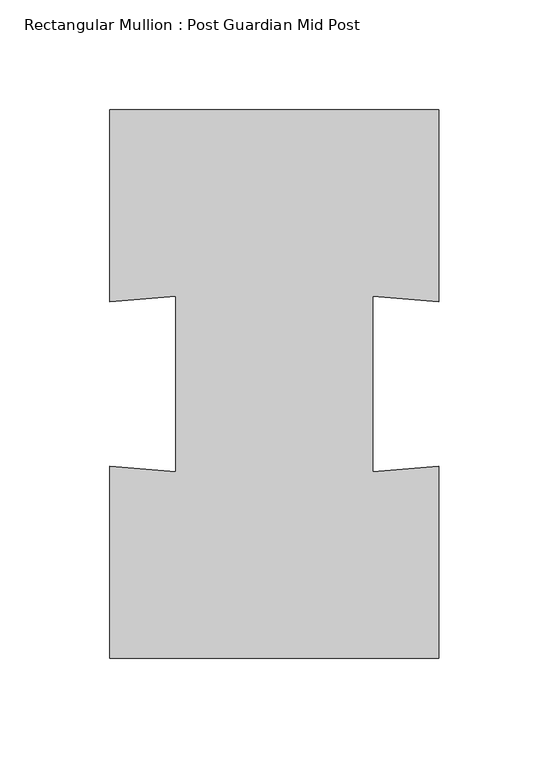
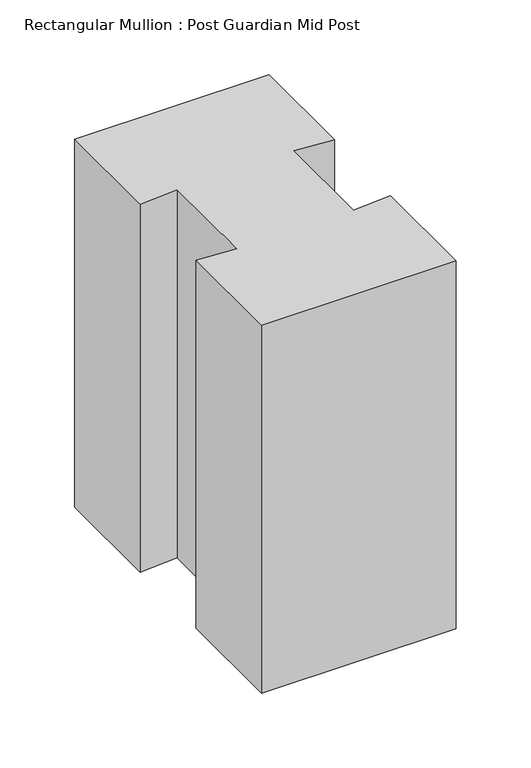
"""IFC4 building model written with IfcOpenShell, lengths in millimetres: member geometry, Rectangular Mullion : Post Guardian Mid Post."""

from ifc_helpers import new_model, si_unit, frame, origin, place, context, project, spatial, polyline, outline, extrude, source, transform, mapped, element, save


def rectangular_mullion_post_guardian_mid_post_ce850a62(model_context):
    return source(origin(), model_context, "Body", "SweptSolid", [
        extrude(outline(polyline([(-74.907, 124.845), (74.907, 124.845), (74.907, 37.4535), (44.9442, 39.9504), (44.9442, -39.9504), (74.907, -37.4535), (74.907, -124.845), (-74.907, -124.845), (-74.907, -37.4535), (-44.9442, -39.9504), (-44.9442, 39.9504), (-74.907, 37.4535), (-74.907, 124.845)])), frame((0.0, 0.0, -300.0), z_axis=(0.0, 0.0, 1.0), x_axis=(1.0, 0.0, 0.0)), (0.0, 0.0, 1.0), 300.0),
    ])


if __name__ == "__main__":
    model = new_model("IFC4")
    model_context = context("Model", 3, world=origin())
    ifc_project = project(units=[si_unit("LENGTHUNIT", "METRE", prefix="MILLI")], contexts=[model_context])
    site = spatial("IfcSite", under=ifc_project)
    building = spatial("IfcBuilding", under=site)
    placement = place(None, origin())
    rectangular_mullion_post_guardian_mid_post_shape = rectangular_mullion_post_guardian_mid_post_ce850a62(model_context)
    element("IfcMember", 1, ObjectType="Rectangular Mullion : Post Guardian Mid Post", at=placement, inside=building, context=model_context, shape_type="MappedRepresentation", body=[
        mapped(rectangular_mullion_post_guardian_mid_post_shape, transform((0.0, 0.0, 0.0), x_axis=(1.0, 0.0, 0.0), y_axis=(0.0, 1.0, 0.0), z_axis=(0.0, 0.0, 1.0))),
    ])
    save(model, "model.ifc")
